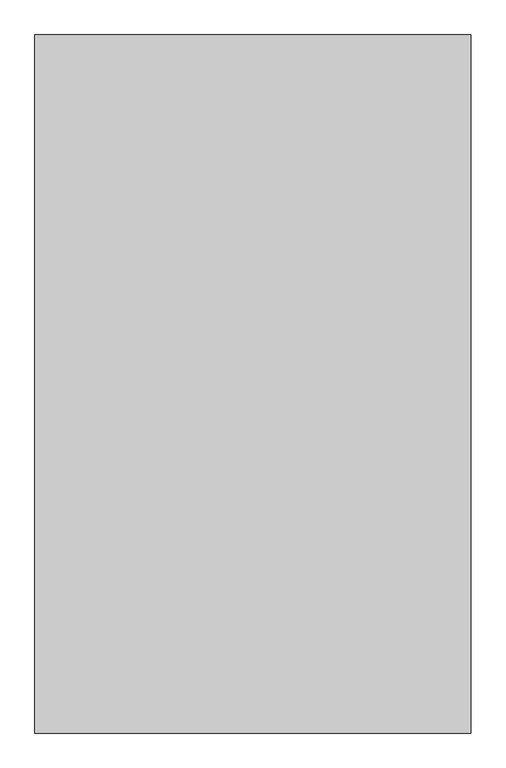
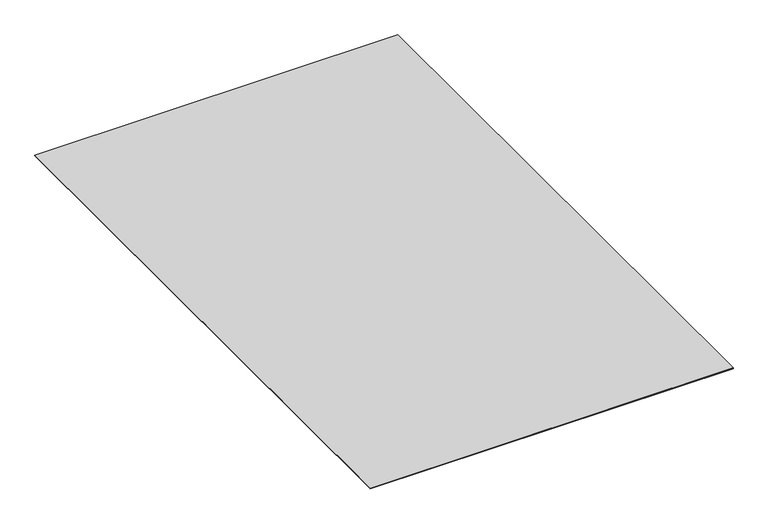
"""IFC4 building model written with IfcOpenShell, lengths in millimetres: proxy geometry."""

from ifc_helpers import new_model, si_unit, frame, origin, origin_with_axes, place, context, project, spatial, polyline, outline, extrude, source, transform, mapped, element, save


def specialty_equipment_1d65d5c6(model_context):
    return source(origin(), model_context, "Body", "SweptSolid", [
        extrude(outline(polyline([(762.0, -1219.2), (-762.0, -1219.2), (-762.0, 1219.2), (762.0, 1219.2), (762.0, -1219.2)])), frame((0.0, 0.0, 1.984375), z_axis=(0.0, 0.0, 1.0), x_axis=(1.0, 0.0, 0.0)), (0.0, 0.0, 1.0), 0.9921875),
        extrude(outline(polyline([(762.0, 1219.2), (762.0, -1219.2), (-762.0, -1219.2), (-762.0, 1219.2), (762.0, 1219.2)])), origin_with_axes(), (0.0, 0.0, 1.0), 1.984375),
    ])


if __name__ == "__main__":
    model = new_model("IFC4")
    model_context = context("Model", 3, world=origin())
    ifc_project = project(units=[si_unit("LENGTHUNIT", "METRE", prefix="MILLI")], contexts=[model_context])
    site = spatial("IfcSite", under=ifc_project)
    building = spatial("IfcBuilding", under=site)
    placement = place(None, origin())
    specialty_equipment_shape = specialty_equipment_1d65d5c6(model_context)
    element("IfcBuildingElementProxy", 1, Name="Specialty Equipment", at=placement, inside=building, context=model_context, shape_type="MappedRepresentation", body=[
        mapped(specialty_equipment_shape, transform((0.0, 0.0, 0.0), x_axis=(1.0, 0.0, 0.0), y_axis=(0.0, 1.0, 0.0), z_axis=(0.0, 0.0, 1.0))),
    ])
    save(model, "model.ifc")
